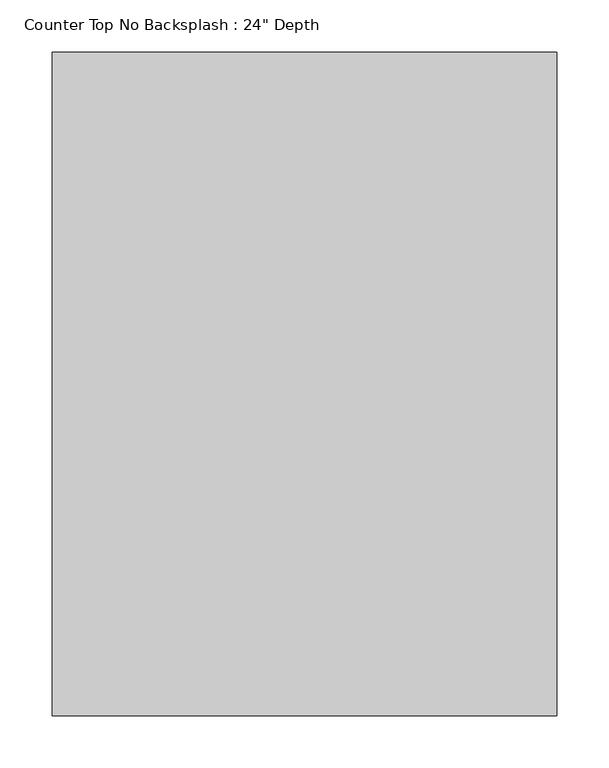
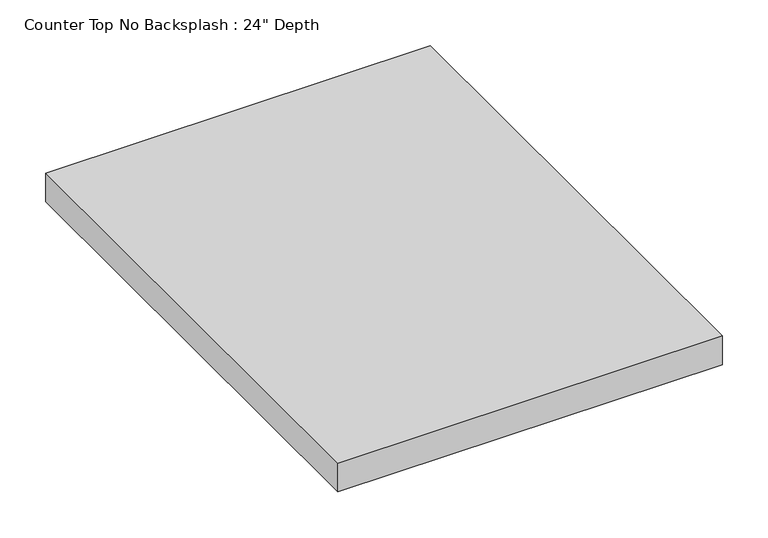
"""IFC4 building model written with IfcOpenShell, lengths in millimetres: furniture geometry."""

from ifc_helpers import new_model, si_unit, frame, origin, place, context, project, spatial, polyline, outline, extrude, source, transform, mapped, element, save


def furniture_e9c33d34(model_context):
    return source(origin(), model_context, "Body", "SweptSolid", [
        extrude(outline(polyline([(-717.8622951, 0.0), (-1200.4622951, 0.0), (-1200.4622951, 635.0), (-717.8622951, 635.0), (-717.8622951, 0.0)])), frame((0.0, 0.0, 876.3), z_axis=(0.0, 0.0, 1.0), x_axis=(1.0, 0.0, 0.0)), (0.0, 0.0, 1.0), 38.1),
    ])


if __name__ == "__main__":
    model = new_model("IFC4")
    model_context = context("Model", 3, world=origin())
    ifc_project = project(units=[si_unit("LENGTHUNIT", "METRE", prefix="MILLI")], contexts=[model_context])
    site = spatial("IfcSite", under=ifc_project)
    building = spatial("IfcBuilding", under=site)
    placement = place(None, origin())
    furniture_shape = furniture_e9c33d34(model_context)
    element("IfcFurniture", 1, ObjectType="Counter Top No Backsplash : 24\" Depth", at=placement, inside=building, context=model_context, shape_type="MappedRepresentation", body=[
        mapped(furniture_shape, transform((0.0, 0.0, 0.0), x_axis=(1.0, 0.0, 0.0), y_axis=(0.0, 1.0, 0.0), z_axis=(0.0, 0.0, 1.0))),
    ])
    save(model, "model.ifc")
